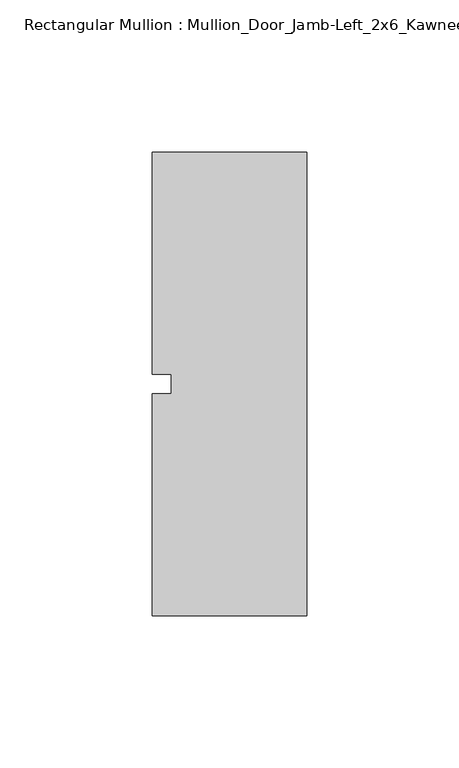
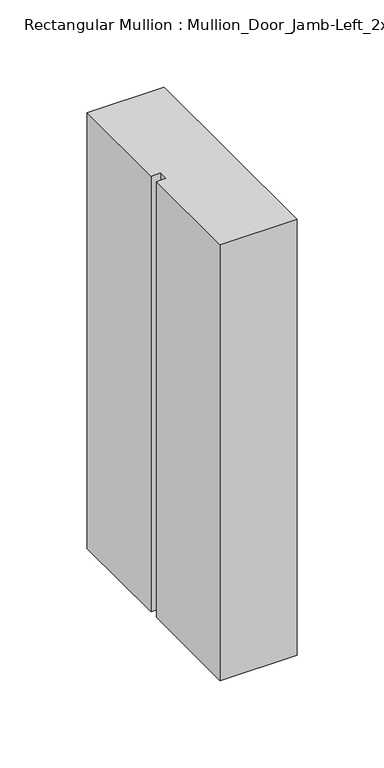
"""IFC4 building model written with IfcOpenShell, lengths in millimetres: member geometry, Rectangular Mullion : Mullion_Door_Jamb-Left_2x6_Kawneer."""

import ifcopenshell
import ifcopenshell.guid

model = None  # the IFC model being written
_history = None  # IfcOwnerHistory: only IFC2X3 demands one
_inside = {}  # id of a spatial element -> (the spatial element, [elements in it])
_under = {}  # id of a project, library or spatial element -> (it, [spatial elements below it])
_declared = {}  # id of a project -> (the project, [libraries it declares])
_typed = {}  # id of a type object -> (the type object, [elements of that type])
_made_of = {}  # id of a material, layer set ... -> (it, [elements and type objects made of it])


def new_model(schema):
    """Start an empty IFC model of exactly this schema.

    Asked for "IFC4X3", IfcOpenShell would pick the latest addendum, in which some entities
    have other attributes; the version numbers below select the first issue.
    IFC2X3 requires an IfcOwnerHistory on every rooted entity: one is made here for all.
    """
    global model, _history
    if schema == "IFC4X3":
        model = ifcopenshell.file(schema_version=(4, 3, 0, 0))
    else:
        model = ifcopenshell.file(schema=schema)
    _inside.clear()
    _under.clear()
    _declared.clear()
    _typed.clear()
    _made_of.clear()
    _history = None
    if model.schema == "IFC2X3":
        org = make("IfcOrganization", Name="unknown")
        user = make(
            "IfcPersonAndOrganization",
            ThePerson=make("IfcPerson", FamilyName="unknown"),
            TheOrganization=org,
        )
        app = make(
            "IfcApplication",
            ApplicationDeveloper=org,
            Version="unknown",
            ApplicationFullName="unknown",
            ApplicationIdentifier="unknown",
        )
        _history = make(
            "IfcOwnerHistory",
            OwningUser=user,
            OwningApplication=app,
            ChangeAction="ADDED",
            CreationDate=0,
        )
    return model


def make(cls, **values):
    """One entity of the class cls with the attributes given. An attribute that is None is left unset."""
    return model.create_entity(
        cls, **{name: value for name, value in values.items() if value is not None}
    )


def rooted(cls, **values):
    """An entity with a GlobalId (a new one), such as an element, a storey or a relation."""
    return make(cls, GlobalId=ifcopenshell.guid.new(), OwnerHistory=_history, **values)


def si_unit(unit_type, name, prefix=None):
    """IfcSIUnit, for example si_unit("LENGTHUNIT", "METRE", prefix="MILLI")."""
    return make("IfcSIUnit", UnitType=unit_type, Prefix=prefix, Name=name)


def assignment(units):
    """IfcUnitAssignment: the units of a project."""
    return None if units is None else make("IfcUnitAssignment", Units=units)


def point(xyz):
    """IfcCartesianPoint."""
    return None if xyz is None else make("IfcCartesianPoint", Coordinates=xyz)


def direction(xyz):
    """IfcDirection."""
    return None if xyz is None else make("IfcDirection", DirectionRatios=xyz)


def frame(location, z_axis=None, x_axis=None):
    """IfcAxis2Placement3D, a coordinate frame: its origin and axes. An axis left out is left unset."""
    return make(
        "IfcAxis2Placement3D",
        Location=point(location),
        Axis=direction(z_axis),
        RefDirection=direction(x_axis),
    )


def origin():
    """The frame at (0, 0, 0) with its axes left unset."""
    return frame((0.0, 0.0, 0.0))


def place(relative_to, where):
    """IfcLocalPlacement: puts the frame where relative to a parent placement (None: the world)."""
    return make(
        "IfcLocalPlacement", PlacementRelTo=relative_to, RelativePlacement=where
    )


def context(
    kind, dimensions, precision=None, world=None, true_north=None, identifier=None
):
    """IfcGeometricRepresentationContext, for example the 3D "Model" context."""
    return make(
        "IfcGeometricRepresentationContext",
        ContextIdentifier=identifier,
        ContextType=kind,
        CoordinateSpaceDimension=dimensions,
        Precision=precision,
        WorldCoordinateSystem=world,
        TrueNorth=true_north,
    )


def project(units=None, contexts=None):
    """IfcProject with its units and contexts."""
    return rooted(
        "IfcProject",
        Name="project",
        RepresentationContexts=contexts,
        UnitsInContext=assignment(units),
    )


def spatial(cls, under=None, at=None, **own):
    """A site, building, storey or space (cls), placed at a placement, below another one or the project."""
    s = rooted(cls, ObjectPlacement=at, **own)
    if under is not None:
        _under.setdefault(under.id(), (under, []))[1].append(s)
    return s


def polyline(points):
    """IfcPolyline through the points."""
    return make("IfcPolyline", Points=[point(p) for p in points])


def outline(outer, holes=None, kind="AREA"):
    """IfcArbitraryClosedProfileDef: a profile drawn as a closed curve; with holes, ...WithVoids."""
    if holes is None:
        return make("IfcArbitraryClosedProfileDef", ProfileType=kind, OuterCurve=outer)
    return make(
        "IfcArbitraryProfileDefWithVoids",
        ProfileType=kind,
        OuterCurve=outer,
        InnerCurves=holes,
    )


def extrude(swept, where, along, depth):
    """IfcExtrudedAreaSolid: the profile swept, set in the frame where, extruded along a direction by depth."""
    return make(
        "IfcExtrudedAreaSolid",
        SweptArea=swept,
        Position=where,
        ExtrudedDirection=direction(along),
        Depth=depth,
    )


def shape(context_of_items, identifier, shape_type, items):
    """IfcShapeRepresentation: the items that make up one representation, for example the "Body"."""
    return make(
        "IfcShapeRepresentation",
        ContextOfItems=context_of_items,
        RepresentationIdentifier=identifier,
        RepresentationType=shape_type,
        Items=items,
    )


def source(mapping_origin, context_of_items, identifier, shape_type, items):
    """IfcRepresentationMap: a shape defined once, which mapped items show again and again."""
    return make(
        "IfcRepresentationMap",
        MappingOrigin=mapping_origin,
        MappedRepresentation=shape(context_of_items, identifier, shape_type, items),
    )


def transform(
    local_origin,
    x_axis=None,
    y_axis=None,
    z_axis=None,
    scale=None,
    scale2=None,
    scale3=None,
    uniform=True,
):
    """IfcCartesianTransformationOperator3D, or its non-uniform kind. x_axis, y_axis, z_axis: its Axis1, 2, 3."""
    if uniform:
        return make(
            "IfcCartesianTransformationOperator3D",
            Axis1=direction(x_axis),
            Axis2=direction(y_axis),
            LocalOrigin=point(local_origin),
            Scale=scale,
            Axis3=direction(z_axis),
        )
    return make(
        "IfcCartesianTransformationOperator3DnonUniform",
        Axis1=direction(x_axis),
        Axis2=direction(y_axis),
        LocalOrigin=point(local_origin),
        Scale=scale,
        Axis3=direction(z_axis),
        Scale2=scale2,
        Scale3=scale3,
    )


def mapped(mapping_source, mapping_target):
    """IfcMappedItem: shows the shape of a source again, moved by a transform."""
    return make(
        "IfcMappedItem", MappingSource=mapping_source, MappingTarget=mapping_target
    )


def made_of(thing, what):
    """Note that an element or type object is made of a material, layer set ...; save() writes the relation."""
    if what is not None:
        _made_of.setdefault(what.id(), (what, []))[1].append(thing)
    return thing


def element(
    cls,
    number,
    at=None,
    inside=None,
    cuts=None,
    type_object=None,
    material=None,
    context=None,
    identifier="Body",
    shape_type=None,
    held_by="IfcProductDefinitionShape",
    body=None,
    shapes=None,
    **own,
):
    """One element of the class cls, such as IfcWall. Its Tag is "e" and its number.

    at: its placement. inside: the storey or other place that contains it. cuts: it is an
    opening in that element (IfcRelVoidsElement). A single representation is given by context,
    identifier, shape_type and body (its items); several are given by shapes. held_by: the class
    of the entity that holds the representations. save() writes the other relations.
    """
    e = rooted(cls, Tag="e%d" % number, ObjectPlacement=at, **own)
    if body is not None:
        shapes = [shape(context, identifier, shape_type, body)]
    if shapes is not None:
        e.Representation = make(held_by, Representations=shapes)
    if inside is not None:
        _inside.setdefault(inside.id(), (inside, []))[1].append(e)
    if cuts is not None:
        rooted(
            "IfcRelVoidsElement", RelatingBuildingElement=cuts, RelatedOpeningElement=e
        )
    if type_object is not None:
        _typed.setdefault(type_object.id(), (type_object, []))[1].append(e)
    return made_of(e, material)


def aggregate(whole, parts):
    """IfcRelAggregates: a whole, such as a stair, and the parts it consists of."""
    return rooted("IfcRelAggregates", RelatingObject=whole, RelatedObjects=parts)


def save(model, path):
    """Write the relations noted so far, then the file.

    IfcRelAggregates (storeys below a building ...), IfcRelContainedInSpatialStructure (elements
    in a storey), IfcRelDefinesByType, IfcRelAssociatesMaterial and IfcRelDeclares: one each for
    every whole, place, type object, material and project.
    """
    for whole, parts in _under.values():
        aggregate(whole, parts)
    for where, things in _inside.values():
        rooted(
            "IfcRelContainedInSpatialStructure",
            RelatedElements=things,
            RelatingStructure=where,
        )
    for kind, things in _typed.values():
        rooted("IfcRelDefinesByType", RelatedObjects=things, RelatingType=kind)
    for what, things in _made_of.values():
        rooted("IfcRelAssociatesMaterial", RelatedObjects=things, RelatingMaterial=what)
    for by, libraries in _declared.values():
        rooted("IfcRelDeclares", RelatingContext=by, RelatedDefinitions=libraries)
    model.write(path)


def rectangular_mullion_mullion_door_jamb_left_2x6_kawneer_27ec3043(model_context):
    return source(origin(), model_context, "Body", "SweptSolid", [
        extrude(outline(polyline([(-25.4, 76.2), (25.4, 76.2), (25.4, -76.2), (-25.4, -76.2), (-25.4, -3.175), (-19.05, -3.175), (-19.05, 3.175), (-25.4, 3.175), (-25.4, 76.2)])), frame((0.0, 0.0, -304.8), z_axis=(0.0, 0.0, 1.0), x_axis=(1.0, 0.0, 0.0)), (0.0, 0.0, 1.0), 304.8),
    ])


if __name__ == "__main__":
    model = new_model("IFC4")
    model_context = context("Model", 3, world=origin())
    ifc_project = project(units=[si_unit("LENGTHUNIT", "METRE", prefix="MILLI")], contexts=[model_context])
    site = spatial("IfcSite", under=ifc_project)
    building = spatial("IfcBuilding", under=site)
    placement = place(None, origin())
    rectangular_mullion_mullion_door_jamb_left_2x6_kawneer_shape = rectangular_mullion_mullion_door_jamb_left_2x6_kawneer_27ec3043(model_context)
    element("IfcMember", 1, ObjectType="Rectangular Mullion : Mullion_Door_Jamb-Left_2x6_Kawneer", at=placement, inside=building, context=model_context, shape_type="MappedRepresentation", body=[
        mapped(rectangular_mullion_mullion_door_jamb_left_2x6_kawneer_shape, transform((0.0, 0.0, 0.0), x_axis=(1.0, 0.0, 0.0), y_axis=(0.0, 1.0, 0.0), z_axis=(0.0, 0.0, 1.0))),
    ])
    save(model, "model.ifc")
